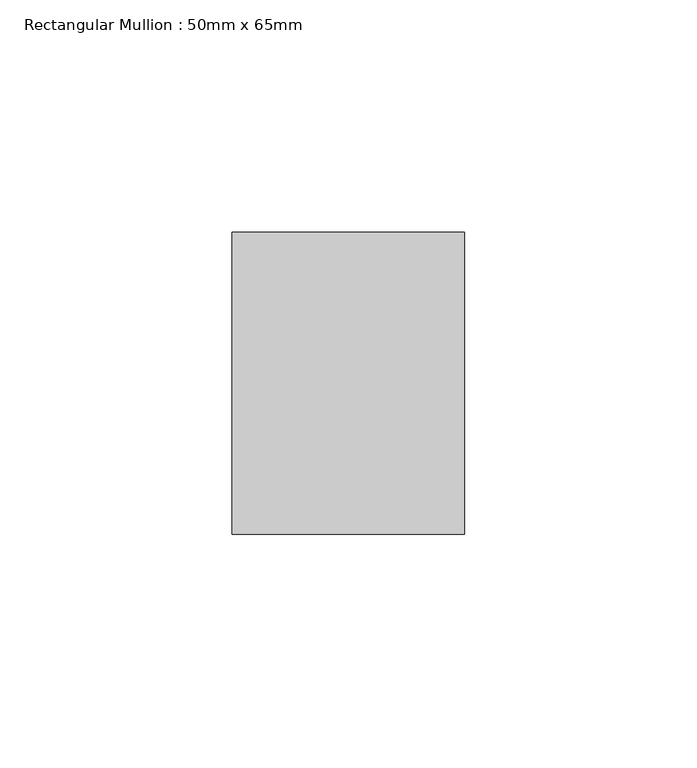
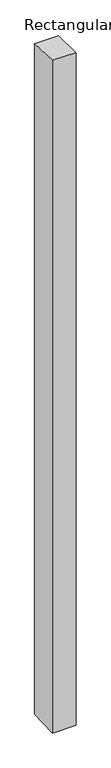
"""IFC4 building model written with IfcOpenShell, lengths in millimetres: member geometry, Rectangular Mullion : 50mm x 65mm."""

import ifcopenshell
import ifcopenshell.guid

model = None  # the IFC model being written
_history = None  # IfcOwnerHistory: only IFC2X3 demands one
_inside = {}  # id of a spatial element -> (the spatial element, [elements in it])
_under = {}  # id of a project, library or spatial element -> (it, [spatial elements below it])
_declared = {}  # id of a project -> (the project, [libraries it declares])
_typed = {}  # id of a type object -> (the type object, [elements of that type])
_made_of = {}  # id of a material, layer set ... -> (it, [elements and type objects made of it])


def new_model(schema):
    """Start an empty IFC model of exactly this schema.

    Asked for "IFC4X3", IfcOpenShell would pick the latest addendum, in which some entities
    have other attributes; the version numbers below select the first issue.
    IFC2X3 requires an IfcOwnerHistory on every rooted entity: one is made here for all.
    """
    global model, _history
    if schema == "IFC4X3":
        model = ifcopenshell.file(schema_version=(4, 3, 0, 0))
    else:
        model = ifcopenshell.file(schema=schema)
    _inside.clear()
    _under.clear()
    _declared.clear()
    _typed.clear()
    _made_of.clear()
    _history = None
    if model.schema == "IFC2X3":
        org = make("IfcOrganization", Name="unknown")
        user = make(
            "IfcPersonAndOrganization",
            ThePerson=make("IfcPerson", FamilyName="unknown"),
            TheOrganization=org,
        )
        app = make(
            "IfcApplication",
            ApplicationDeveloper=org,
            Version="unknown",
            ApplicationFullName="unknown",
            ApplicationIdentifier="unknown",
        )
        _history = make(
            "IfcOwnerHistory",
            OwningUser=user,
            OwningApplication=app,
            ChangeAction="ADDED",
            CreationDate=0,
        )
    return model


def make(cls, **values):
    """One entity of the class cls with the attributes given. An attribute that is None is left unset."""
    return model.create_entity(
        cls, **{name: value for name, value in values.items() if value is not None}
    )


def rooted(cls, **values):
    """An entity with a GlobalId (a new one), such as an element, a storey or a relation."""
    return make(cls, GlobalId=ifcopenshell.guid.new(), OwnerHistory=_history, **values)


def si_unit(unit_type, name, prefix=None):
    """IfcSIUnit, for example si_unit("LENGTHUNIT", "METRE", prefix="MILLI")."""
    return make("IfcSIUnit", UnitType=unit_type, Prefix=prefix, Name=name)


def assignment(units):
    """IfcUnitAssignment: the units of a project."""
    return None if units is None else make("IfcUnitAssignment", Units=units)


def point(xyz):
    """IfcCartesianPoint."""
    return None if xyz is None else make("IfcCartesianPoint", Coordinates=xyz)


def direction(xyz):
    """IfcDirection."""
    return None if xyz is None else make("IfcDirection", DirectionRatios=xyz)


def frame(location, z_axis=None, x_axis=None):
    """IfcAxis2Placement3D, a coordinate frame: its origin and axes. An axis left out is left unset."""
    return make(
        "IfcAxis2Placement3D",
        Location=point(location),
        Axis=direction(z_axis),
        RefDirection=direction(x_axis),
    )


def origin():
    """The frame at (0, 0, 0) with its axes left unset."""
    return frame((0.0, 0.0, 0.0))


def place(relative_to, where):
    """IfcLocalPlacement: puts the frame where relative to a parent placement (None: the world)."""
    return make(
        "IfcLocalPlacement", PlacementRelTo=relative_to, RelativePlacement=where
    )


def context(
    kind, dimensions, precision=None, world=None, true_north=None, identifier=None
):
    """IfcGeometricRepresentationContext, for example the 3D "Model" context."""
    return make(
        "IfcGeometricRepresentationContext",
        ContextIdentifier=identifier,
        ContextType=kind,
        CoordinateSpaceDimension=dimensions,
        Precision=precision,
        WorldCoordinateSystem=world,
        TrueNorth=true_north,
    )


def project(units=None, contexts=None):
    """IfcProject with its units and contexts."""
    return rooted(
        "IfcProject",
        Name="project",
        RepresentationContexts=contexts,
        UnitsInContext=assignment(units),
    )


def spatial(cls, under=None, at=None, **own):
    """A site, building, storey or space (cls), placed at a placement, below another one or the project."""
    s = rooted(cls, ObjectPlacement=at, **own)
    if under is not None:
        _under.setdefault(under.id(), (under, []))[1].append(s)
    return s


def faces_of(points, faces, orient=None, outer=None):
    """IfcFace entities. A face is a list of loops; a loop is a list of indices into points, from 0.

    orient and outer hold one flag for each loop. By default every Orientation is true, the
    first loop of a face is its IfcFaceOuterBound and the others are IfcFaceBound.
    """
    made = []
    for i, loops in enumerate(faces):
        bounds = []
        for j, loop in enumerate(loops):
            is_outer = j == 0 if outer is None else outer[i][j]
            bounds.append(
                make(
                    "IfcFaceOuterBound" if is_outer else "IfcFaceBound",
                    Bound=make("IfcPolyLoop", Polygon=[points[k] for k in loop]),
                    Orientation=True if orient is None else orient[i][j],
                )
            )
        made.append(make("IfcFace", Bounds=bounds))
    return made


def faceted_brep(points, faces, orient=None, outer=None, voids=None):
    """IfcFacetedBrep: a solid bounded by flat faces; with voids (closed shells), ...WithVoids."""
    shared = [point(p) for p in points]
    hull = make("IfcClosedShell", CfsFaces=faces_of(shared, faces, orient, outer))
    if voids is None:
        return make("IfcFacetedBrep", Outer=hull)
    return make(
        "IfcFacetedBrepWithVoids",
        Outer=hull,
        Voids=[
            make(cls, CfsFaces=faces_of(shared, fs, o, b)) for cls, fs, o, b in voids
        ],
    )


def shape(context_of_items, identifier, shape_type, items):
    """IfcShapeRepresentation: the items that make up one representation, for example the "Body"."""
    return make(
        "IfcShapeRepresentation",
        ContextOfItems=context_of_items,
        RepresentationIdentifier=identifier,
        RepresentationType=shape_type,
        Items=items,
    )


def source(mapping_origin, context_of_items, identifier, shape_type, items):
    """IfcRepresentationMap: a shape defined once, which mapped items show again and again."""
    return make(
        "IfcRepresentationMap",
        MappingOrigin=mapping_origin,
        MappedRepresentation=shape(context_of_items, identifier, shape_type, items),
    )


def transform(
    local_origin,
    x_axis=None,
    y_axis=None,
    z_axis=None,
    scale=None,
    scale2=None,
    scale3=None,
    uniform=True,
):
    """IfcCartesianTransformationOperator3D, or its non-uniform kind. x_axis, y_axis, z_axis: its Axis1, 2, 3."""
    if uniform:
        return make(
            "IfcCartesianTransformationOperator3D",
            Axis1=direction(x_axis),
            Axis2=direction(y_axis),
            LocalOrigin=point(local_origin),
            Scale=scale,
            Axis3=direction(z_axis),
        )
    return make(
        "IfcCartesianTransformationOperator3DnonUniform",
        Axis1=direction(x_axis),
        Axis2=direction(y_axis),
        LocalOrigin=point(local_origin),
        Scale=scale,
        Axis3=direction(z_axis),
        Scale2=scale2,
        Scale3=scale3,
    )


def mapped(mapping_source, mapping_target):
    """IfcMappedItem: shows the shape of a source again, moved by a transform."""
    return make(
        "IfcMappedItem", MappingSource=mapping_source, MappingTarget=mapping_target
    )


def made_of(thing, what):
    """Note that an element or type object is made of a material, layer set ...; save() writes the relation."""
    if what is not None:
        _made_of.setdefault(what.id(), (what, []))[1].append(thing)
    return thing


def element(
    cls,
    number,
    at=None,
    inside=None,
    cuts=None,
    type_object=None,
    material=None,
    context=None,
    identifier="Body",
    shape_type=None,
    held_by="IfcProductDefinitionShape",
    body=None,
    shapes=None,
    **own,
):
    """One element of the class cls, such as IfcWall. Its Tag is "e" and its number.

    at: its placement. inside: the storey or other place that contains it. cuts: it is an
    opening in that element (IfcRelVoidsElement). A single representation is given by context,
    identifier, shape_type and body (its items); several are given by shapes. held_by: the class
    of the entity that holds the representations. save() writes the other relations.
    """
    e = rooted(cls, Tag="e%d" % number, ObjectPlacement=at, **own)
    if body is not None:
        shapes = [shape(context, identifier, shape_type, body)]
    if shapes is not None:
        e.Representation = make(held_by, Representations=shapes)
    if inside is not None:
        _inside.setdefault(inside.id(), (inside, []))[1].append(e)
    if cuts is not None:
        rooted(
            "IfcRelVoidsElement", RelatingBuildingElement=cuts, RelatedOpeningElement=e
        )
    if type_object is not None:
        _typed.setdefault(type_object.id(), (type_object, []))[1].append(e)
    return made_of(e, material)


def aggregate(whole, parts):
    """IfcRelAggregates: a whole, such as a stair, and the parts it consists of."""
    return rooted("IfcRelAggregates", RelatingObject=whole, RelatedObjects=parts)


def save(model, path):
    """Write the relations noted so far, then the file.

    IfcRelAggregates (storeys below a building ...), IfcRelContainedInSpatialStructure (elements
    in a storey), IfcRelDefinesByType, IfcRelAssociatesMaterial and IfcRelDeclares: one each for
    every whole, place, type object, material and project.
    """
    for whole, parts in _under.values():
        aggregate(whole, parts)
    for where, things in _inside.values():
        rooted(
            "IfcRelContainedInSpatialStructure",
            RelatedElements=things,
            RelatingStructure=where,
        )
    for kind, things in _typed.values():
        rooted("IfcRelDefinesByType", RelatedObjects=things, RelatingType=kind)
    for what, things in _made_of.values():
        rooted("IfcRelAssociatesMaterial", RelatedObjects=things, RelatingMaterial=what)
    for by, libraries in _declared.values():
        rooted("IfcRelDeclares", RelatingContext=by, RelatedDefinitions=libraries)
    model.write(path)


def rectangular_mullion_50mm_x_65mm_b0d1cc6a(model_context):
    return source(origin(), model_context, "Body", "Brep", [
        faceted_brep([(-25.0, 32.5, -0.8979657), (25.0, 32.5, -0.8979607), (25.0, 32.5, -1498.8583371), (-25.0, 32.5, -1498.8583307), (-25.0, -32.5, 0.8979607), (-25.0, -32.5, -1501.1422308), (25.0, -32.5, 0.8979657), (25.0, -32.5, -1501.1422372)], [[[0, 1, 2, 3]], [[4, 0, 3, 5]], [[6, 4, 5, 7]], [[1, 6, 7, 2]], [[1, 0, 4, 6]], [[2, 7, 5, 3]]]),
    ])


if __name__ == "__main__":
    model = new_model("IFC4")
    model_context = context("Model", 3, world=origin())
    ifc_project = project(units=[si_unit("LENGTHUNIT", "METRE", prefix="MILLI")], contexts=[model_context])
    site = spatial("IfcSite", under=ifc_project)
    building = spatial("IfcBuilding", under=site)
    placement = place(None, origin())
    rectangular_mullion_50mm_x_65mm_shape = rectangular_mullion_50mm_x_65mm_b0d1cc6a(model_context)
    element("IfcMember", 1, ObjectType="Rectangular Mullion : 50mm x 65mm", at=placement, inside=building, context=model_context, shape_type="MappedRepresentation", body=[
        mapped(rectangular_mullion_50mm_x_65mm_shape, transform((0.0, 0.0, 0.0), x_axis=(1.0, 0.0, 0.0), y_axis=(0.0, 1.0, 0.0), z_axis=(0.0, 0.0, 1.0))),
    ])
    save(model, "model.ifc")
